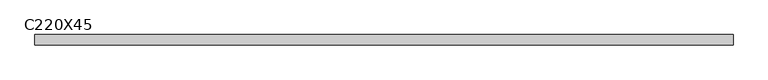
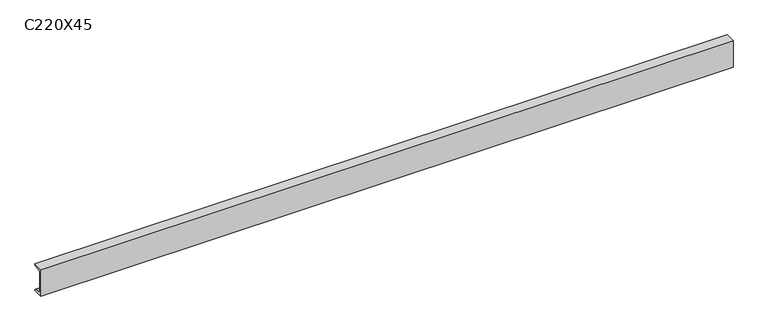
"""IFC4 building model written with IfcOpenShell, lengths in millimetres: beam geometry, C220X45."""

from ifc_helpers import new_model, si_unit, point, frame, frame_2d, origin, place, context, project, spatial, polyline, circle_curve, trimmed, segment, composite_curve, outline, extrude, source, transform, mapped, element, save


def c220x45_47006eab(model_context):
    return source(origin(), model_context, "Body", "SweptSolid", [
        extrude(outline(composite_curve([segment(polyline([(-17.0, 110.0), (64.0, 110.0)]), True, "CONTINUOUS"), segment(trimmed(circle_curve(frame_2d((51.0, 110.0)), 13.0), [point((64.0, 110.0))], [point((51.0, 97.0))], False, "CARTESIAN"), True, "CONTINUOUS"), segment(polyline([(51.0, 97.0), (-4.0, 88.2888558), (-4.0, -88.2888558), (51.0, -97.0)]), True, "CONTINUOUS"), segment(trimmed(circle_curve(frame_2d((51.0, -110.0)), 13.0), [point((51.0, -97.0))], [point((64.0, -110.0))], False, "CARTESIAN"), True, "CONTINUOUS"), segment(polyline([(64.0, -110.0), (-17.0, -110.0), (-17.0, 110.0)]), True, "CONTINUOUS")], self_intersect=False)), frame((-2842.0, 0.0, 0.0), z_axis=(1.0, 0.0, 0.0), x_axis=(0.0, 1.0, 0.0)), (0.0, 0.0, 1.0), 5445.0),
    ])


if __name__ == "__main__":
    model = new_model("IFC4")
    model_context = context("Model", 3, world=origin())
    ifc_project = project(units=[si_unit("LENGTHUNIT", "METRE", prefix="MILLI")], contexts=[model_context])
    site = spatial("IfcSite", under=ifc_project)
    building = spatial("IfcBuilding", under=site)
    placement = place(None, origin())
    c220x45_shape = c220x45_47006eab(model_context)
    element("IfcBeam", 1, ObjectType="C220X45", at=placement, inside=building, context=model_context, shape_type="MappedRepresentation", body=[
        mapped(c220x45_shape, transform((0.0, 0.0, 0.0), x_axis=(1.0, 0.0, 0.0), y_axis=(0.0, 1.0, 0.0), z_axis=(0.0, 0.0, 1.0))),
    ])
    save(model, "model.ifc")
